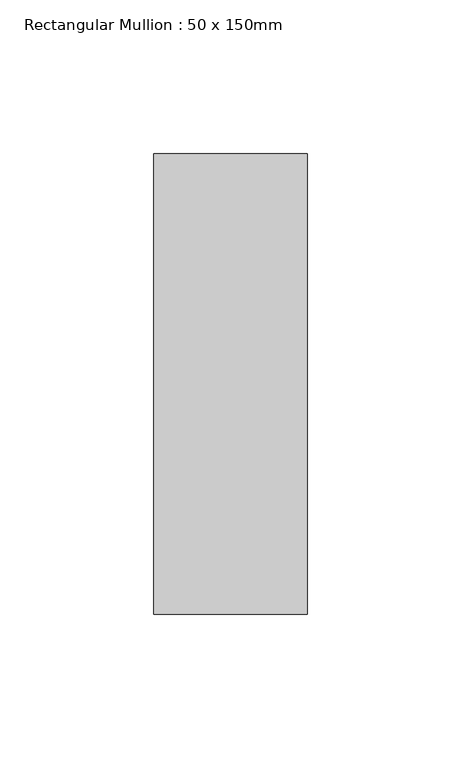
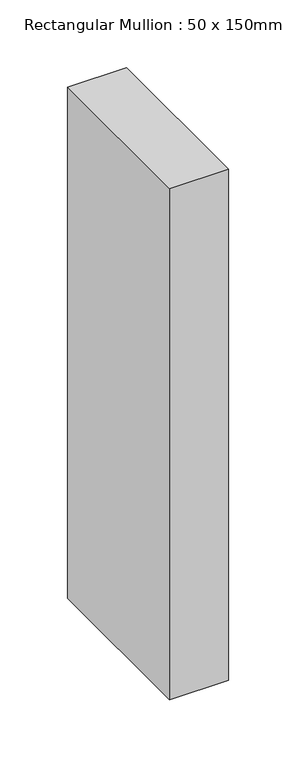
"""IFC4 building model written with IfcOpenShell, lengths in millimetres: member geometry, Rectangular Mullion : 50 x 150mm."""

from ifc_helpers import new_model, si_unit, frame, origin, place, context, project, spatial, polyline, outline, extrude, source, transform, mapped, element, save


def rectangular_mullion_50_x_150mm_985efd27(model_context):
    return source(origin(), model_context, "Body", "SweptSolid", [
        extrude(outline(polyline([(25.0, 75.0), (25.0, -75.0), (-25.0, -75.0), (-25.0, 75.0), (25.0, 75.0)])), frame((0.0, 0.0, -460.0), z_axis=(0.0, 0.0, 1.0), x_axis=(1.0, 0.0, 0.0)), (0.0, 0.0, 1.0), 460.0),
    ])


if __name__ == "__main__":
    model = new_model("IFC4")
    model_context = context("Model", 3, world=origin())
    ifc_project = project(units=[si_unit("LENGTHUNIT", "METRE", prefix="MILLI")], contexts=[model_context])
    site = spatial("IfcSite", under=ifc_project)
    building = spatial("IfcBuilding", under=site)
    placement = place(None, origin())
    rectangular_mullion_50_x_150mm_shape = rectangular_mullion_50_x_150mm_985efd27(model_context)
    element("IfcMember", 1, ObjectType="Rectangular Mullion : 50 x 150mm", at=placement, inside=building, context=model_context, shape_type="MappedRepresentation", body=[
        mapped(rectangular_mullion_50_x_150mm_shape, transform((0.0, 0.0, 0.0), x_axis=(1.0, 0.0, 0.0), y_axis=(0.0, 1.0, 0.0), z_axis=(0.0, 0.0, 1.0))),
    ])
    save(model, "model.ifc")
